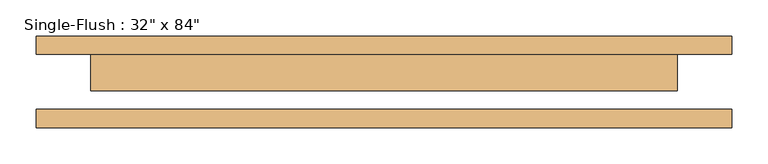
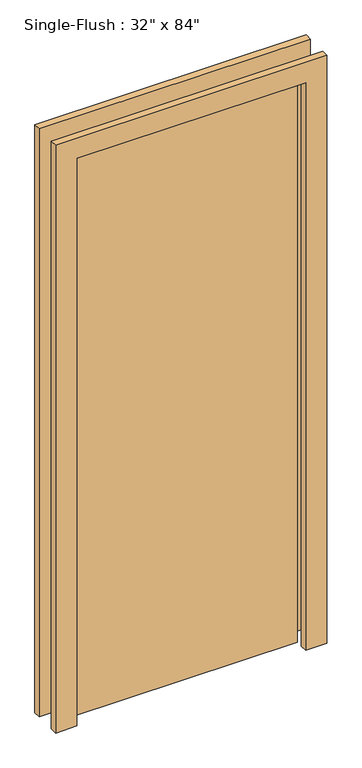
"""IFC4 building model written with IfcOpenShell, lengths in millimetres: door geometry."""

from ifc_helpers import new_model, si_unit, frame, origin, origin_with_axes, place, context, project, spatial, polyline, outline, extrude, source, transform, mapped, element, save


def door_ce619598(model_context):
    return source(origin(), model_context, "Body", "SweptSolid", [
        extrude(outline(polyline([(2209.8, -482.6), (0.0, -482.6), (0.0, -406.4), (2133.6, -406.4), (2133.6, 406.4), (0.0, 406.4), (0.0, 482.6), (2209.8, 482.6), (2209.8, -482.6)])), frame((0.0, 38.1, 0.0), z_axis=(0.0, 1.0, 0.0), x_axis=(0.0, 0.0, 1.0)), (0.0, 0.0, 1.0), 25.4),
        extrude(outline(polyline([(2209.8, 482.6), (2209.8, -482.6), (0.0, -482.6), (0.0, -406.4), (2133.6, -406.4), (2133.6, 406.4), (0.0, 406.4), (0.0, 482.6), (2209.8, 482.6)])), frame((0.0, -63.5, 0.0), z_axis=(0.0, 1.0, 0.0), x_axis=(0.0, 0.0, 1.0)), (0.0, 0.0, 1.0), 25.4),
        extrude(outline(polyline([(406.4, -12.7), (-406.4, -12.7), (-406.4, 38.1), (406.4, 38.1), (406.4, -12.7)])), origin_with_axes(), (0.0, 0.0, 1.0), 2133.6),
    ])


if __name__ == "__main__":
    model = new_model("IFC4")
    model_context = context("Model", 3, world=origin())
    ifc_project = project(units=[si_unit("LENGTHUNIT", "METRE", prefix="MILLI")], contexts=[model_context])
    site = spatial("IfcSite", under=ifc_project)
    building = spatial("IfcBuilding", under=site)
    placement = place(None, origin())
    door_shape = door_ce619598(model_context)
    element("IfcDoor", 1, ObjectType="Single-Flush : 32\" x 84\"", at=placement, inside=building, context=model_context, shape_type="MappedRepresentation", body=[
        mapped(door_shape, transform((0.0, 0.0, 0.0), x_axis=(1.0, 0.0, 0.0), y_axis=(0.0, 1.0, 0.0), z_axis=(0.0, 0.0, 1.0))),
    ])
    save(model, "model.ifc")
